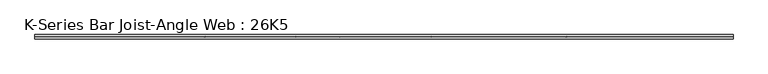
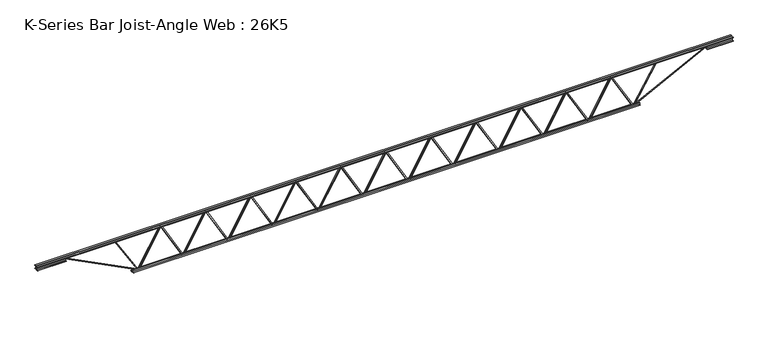
"""IFC4 building model written with IfcOpenShell, lengths in millimetres: beam geometry, K-Series Bar Joist-Angle Web : 26K5."""

from ifc_helpers import new_model, si_unit, frame, origin, place, context, project, spatial, polyline, outline, extrude, faceted_brep, source, transform, mapped, element, save


def k_series_bar_joist_angle_web_26k5_6613eee9(model_context):
    return source(origin(), model_context, "Body", "SolidModel", [
        extrude(outline(polyline([(-4.7625, 4.7625), (-4.7625, 0.0), (-17.4625, 0.0), (-17.4625, 4.7625), (-4.7625, 4.7625)])), frame((3358.1465485, 0.0, -292.1), z_axis=(-0.4972851767959126, 0.0, 0.8675871442910262), x_axis=(0.0, -1.0, 0.0)), (0.0, 0.0, 1.0), 673.3617526),
        extrude(outline(polyline([(-327.025, 3390.0340909), (-307.975, 3390.0340909), (-307.975, 3389.2032583), (327.025, 3025.2328038), (327.025, 3007.0136364), (307.975, 3007.0136364), (307.975, 3014.194469), (-327.025, 3378.1649235), (-327.025, 3390.0340909)])), frame((0.0, 0.0, 0.0), z_axis=(0.0, 1.0, 0.0), x_axis=(0.0, 0.0, 1.0)), (0.0, 0.0, 1.0), 4.7625),
        faceted_brep([(2636.6931818, 0.0, -307.975), (2636.6931818, 0.0, -327.025), (2636.6931818, -4.7625, -327.025), (2636.6931818, -4.7625, -307.975), (2637.5240144, 0.0, -307.975), (3001.494469, 0.0, 327.025), (3019.7136364, 0.0, 327.025), (3019.7136364, 0.0, 307.975), (3012.5328038, 0.0, 307.975), (2648.5623492, 0.0, -327.025), (2648.5623492, -4.7625, -327.025), (2668.5807242, -4.7625, -292.1), (2664.4488405, -4.7625, -289.7316793), (2999.3016586, -4.7625, 294.4683207), (3003.4335424, -4.7625, 292.1), (3012.5328038, -4.7625, 307.975), (3019.7136364, -4.7625, 307.975), (3019.7136364, -4.7625, 327.025), (3001.494469, -4.7625, 327.025), (2637.5240144, -4.7625, -307.975), (3003.4335424, -17.4625, 292.1), (2668.5807242, -17.4625, -292.1), (2664.4488405, -17.4625, -289.7316793), (2999.3016586, -17.4625, 294.4683207)], [[[0, 1, 2, 3]], [[1, 0, 4, 5, 6, 7, 8, 9]], [[2, 1, 9, 10]], [[3, 2, 10, 11, 12, 13, 14, 15, 16, 17, 18, 19]], [[0, 3, 19, 4]], [[9, 8, 15, 14, 20, 21, 11, 10]], [[5, 4, 19, 18]], [[7, 6, 17, 16]], [[8, 7, 16, 15]], [[6, 5, 18, 17]], [[21, 22, 12, 11]], [[20, 14, 13, 23]], [[22, 21, 20, 23]], [[12, 22, 23, 13]]]),
        extrude(outline(polyline([(-4.7625, 4.7625), (-4.7625, 0.0), (-17.4625, 0.0), (-17.4625, 4.7625), (-4.7625, 4.7625)])), frame((2604.8056394, 0.0, -292.1), z_axis=(-0.4972851767959126, 0.0, 0.8675871442910262), x_axis=(0.0, -1.0, 0.0)), (0.0, 0.0, 1.0), 673.3617526),
        extrude(outline(polyline([(-327.025, 2636.6931818), (-307.975, 2636.6931818), (-307.975, 2635.8623492), (327.025, 2271.8918947), (327.025, 2253.6727273), (307.975, 2253.6727273), (307.975, 2260.8535599), (-327.025, 2624.8240144), (-327.025, 2636.6931818)])), frame((0.0, 0.0, 0.0), z_axis=(0.0, 1.0, 0.0), x_axis=(0.0, 0.0, 1.0)), (0.0, 0.0, 1.0), 4.7625),
        faceted_brep([(1883.3522727, 0.0, -307.975), (1883.3522727, 0.0, -327.025), (1883.3522727, -4.7625, -327.025), (1883.3522727, -4.7625, -307.975), (1884.1831053, 0.0, -307.975), (2248.1535599, 0.0, 327.025), (2266.3727273, 0.0, 327.025), (2266.3727273, 0.0, 307.975), (2259.1918947, 0.0, 307.975), (1895.2214401, 0.0, -327.025), (1895.2214401, -4.7625, -327.025), (1915.2398151, -4.7625, -292.1), (1911.1079314, -4.7625, -289.7316793), (2245.9607495, -4.7625, 294.4683207), (2250.0926333, -4.7625, 292.1), (2259.1918947, -4.7625, 307.975), (2266.3727273, -4.7625, 307.975), (2266.3727273, -4.7625, 327.025), (2248.1535599, -4.7625, 327.025), (1884.1831053, -4.7625, -307.975), (2250.0926333, -17.4625, 292.1), (1915.2398151, -17.4625, -292.1), (1911.1079314, -17.4625, -289.7316793), (2245.9607495, -17.4625, 294.4683207)], [[[0, 1, 2, 3]], [[1, 0, 4, 5, 6, 7, 8, 9]], [[2, 1, 9, 10]], [[3, 2, 10, 11, 12, 13, 14, 15, 16, 17, 18, 19]], [[0, 3, 19, 4]], [[9, 8, 15, 14, 20, 21, 11, 10]], [[5, 4, 19, 18]], [[7, 6, 17, 16]], [[8, 7, 16, 15]], [[6, 5, 18, 17]], [[21, 22, 12, 11]], [[20, 14, 13, 23]], [[22, 21, 20, 23]], [[12, 22, 23, 13]]]),
        extrude(outline(polyline([(-4.7625, 4.7625), (-4.7625, 0.0), (-17.4625, 0.0), (-17.4625, 4.7625), (-4.7625, 4.7625)])), frame((1851.4647303, 0.0, -292.1), z_axis=(-0.4972851767959126, 0.0, 0.8675871442910262), x_axis=(0.0, -1.0, 0.0)), (0.0, 0.0, 1.0), 673.3617526),
        extrude(outline(polyline([(-327.025, 1883.3522727), (-307.975, 1883.3522727), (-307.975, 1882.5214401), (327.025, 1518.5509856), (327.025, 1500.3318182), (307.975, 1500.3318182), (307.975, 1507.5126508), (-327.025, 1871.4831053), (-327.025, 1883.3522727)])), frame((0.0, 0.0, 0.0), z_axis=(0.0, 1.0, 0.0), x_axis=(0.0, 0.0, 1.0)), (0.0, 0.0, 1.0), 4.7625),
        faceted_brep([(1130.0113636, 0.0, -307.975), (1130.0113636, 0.0, -327.025), (1130.0113636, -4.7625, -327.025), (1130.0113636, -4.7625, -307.975), (1130.8421962, 0.0, -307.975), (1494.8126508, 0.0, 327.025), (1513.0318182, 0.0, 327.025), (1513.0318182, 0.0, 307.975), (1505.8509856, 0.0, 307.975), (1141.880531, 0.0, -327.025), (1141.880531, -4.7625, -327.025), (1161.898906, -4.7625, -292.1), (1157.7670223, -4.7625, -289.7316793), (1492.6198405, -4.7625, 294.4683207), (1496.7517242, -4.7625, 292.1), (1505.8509856, -4.7625, 307.975), (1513.0318182, -4.7625, 307.975), (1513.0318182, -4.7625, 327.025), (1494.8126508, -4.7625, 327.025), (1130.8421962, -4.7625, -307.975), (1496.7517242, -17.4625, 292.1), (1161.898906, -17.4625, -292.1), (1157.7670223, -17.4625, -289.7316793), (1492.6198405, -17.4625, 294.4683207)], [[[0, 1, 2, 3]], [[1, 0, 4, 5, 6, 7, 8, 9]], [[2, 1, 9, 10]], [[3, 2, 10, 11, 12, 13, 14, 15, 16, 17, 18, 19]], [[0, 3, 19, 4]], [[9, 8, 15, 14, 20, 21, 11, 10]], [[5, 4, 19, 18]], [[7, 6, 17, 16]], [[8, 7, 16, 15]], [[6, 5, 18, 17]], [[21, 22, 12, 11]], [[20, 14, 13, 23]], [[22, 21, 20, 23]], [[12, 22, 23, 13]]]),
        extrude(outline(polyline([(-4.7625, 4.7625), (-4.7625, 0.0), (-17.4625, 0.0), (-17.4625, 4.7625), (-4.7625, 4.7625)])), frame((1098.1238212, 0.0, -292.1), z_axis=(-0.4972851767959126, 0.0, 0.8675871442910262), x_axis=(0.0, -1.0, 0.0)), (0.0, 0.0, 1.0), 673.3617526),
        extrude(outline(polyline([(-327.025, 1130.0113636), (-307.975, 1130.0113636), (-307.975, 1129.180531), (327.025, 765.2100765), (327.025, 746.9909091), (307.975, 746.9909091), (307.975, 754.1717417), (-327.025, 1118.1421962), (-327.025, 1130.0113636)])), frame((0.0, 0.0, 0.0), z_axis=(0.0, 1.0, 0.0), x_axis=(0.0, 0.0, 1.0)), (0.0, 0.0, 1.0), 4.7625),
        faceted_brep([(376.6704545, 0.0, -307.975), (376.6704545, 0.0, -327.025), (376.6704545, -4.7625, -327.025), (376.6704545, -4.7625, -307.975), (377.5012871, 0.0, -307.975), (741.4717417, 0.0, 327.025), (759.6909091, 0.0, 327.025), (759.6909091, 0.0, 307.975), (752.5100765, 0.0, 307.975), (388.539622, 0.0, -327.025), (388.539622, -4.7625, -327.025), (408.557997, -4.7625, -292.1), (404.4261132, -4.7625, -289.7316793), (739.2789314, -4.7625, 294.4683207), (743.4108151, -4.7625, 292.1), (752.5100765, -4.7625, 307.975), (759.6909091, -4.7625, 307.975), (759.6909091, -4.7625, 327.025), (741.4717417, -4.7625, 327.025), (377.5012871, -4.7625, -307.975), (743.4108151, -17.4625, 292.1), (408.557997, -17.4625, -292.1), (404.4261132, -17.4625, -289.7316793), (739.2789314, -17.4625, 294.4683207)], [[[0, 1, 2, 3]], [[1, 0, 4, 5, 6, 7, 8, 9]], [[2, 1, 9, 10]], [[3, 2, 10, 11, 12, 13, 14, 15, 16, 17, 18, 19]], [[0, 3, 19, 4]], [[9, 8, 15, 14, 20, 21, 11, 10]], [[5, 4, 19, 18]], [[7, 6, 17, 16]], [[8, 7, 16, 15]], [[6, 5, 18, 17]], [[21, 22, 12, 11]], [[20, 14, 13, 23]], [[22, 21, 20, 23]], [[12, 22, 23, 13]]]),
        extrude(outline(polyline([(-4.7625, 4.7625), (-4.7625, 0.0), (-17.4625, 0.0), (-17.4625, 4.7625), (-4.7625, 4.7625)])), frame((344.7829121, 0.0, -292.1), z_axis=(-0.4972851767959126, 0.0, 0.8675871442910262), x_axis=(0.0, -1.0, 0.0)), (0.0, 0.0, 1.0), 673.3617526),
        extrude(outline(polyline([(-327.025, 376.6704545), (-307.975, 376.6704545), (-307.975, 375.839622), (327.025, 11.8691674), (327.025, -6.35), (307.975, -6.35), (307.975, 0.8308326), (-327.025, 364.8012871), (-327.025, 376.6704545)])), frame((0.0, 0.0, 0.0), z_axis=(0.0, 1.0, 0.0), x_axis=(0.0, 0.0, 1.0)), (0.0, 0.0, 1.0), 4.7625),
        faceted_brep([(-376.6704545, 0.0, -307.975), (-376.6704545, 0.0, -327.025), (-376.6704545, -4.7625, -327.025), (-376.6704545, -4.7625, -307.975), (-375.839622, 0.0, -307.975), (-11.8691674, 0.0, 327.025), (6.35, 0.0, 327.025), (6.35, 0.0, 307.975), (-0.8308326, 0.0, 307.975), (-364.8012871, 0.0, -327.025), (-364.8012871, -4.7625, -327.025), (-344.7829121, -4.7625, -292.1), (-348.9147959, -4.7625, -289.7316793), (-14.0619777, -4.7625, 294.4683207), (-9.930094, -4.7625, 292.1), (-0.8308326, -4.7625, 307.975), (6.35, -4.7625, 307.975), (6.35, -4.7625, 327.025), (-11.8691674, -4.7625, 327.025), (-375.839622, -4.7625, -307.975), (-9.930094, -17.4625, 292.1), (-344.7829121, -17.4625, -292.1), (-348.9147959, -17.4625, -289.7316793), (-14.0619777, -17.4625, 294.4683207)], [[[0, 1, 2, 3]], [[1, 0, 4, 5, 6, 7, 8, 9]], [[2, 1, 9, 10]], [[3, 2, 10, 11, 12, 13, 14, 15, 16, 17, 18, 19]], [[0, 3, 19, 4]], [[9, 8, 15, 14, 20, 21, 11, 10]], [[5, 4, 19, 18]], [[7, 6, 17, 16]], [[8, 7, 16, 15]], [[6, 5, 18, 17]], [[21, 22, 12, 11]], [[20, 14, 13, 23]], [[22, 21, 20, 23]], [[12, 22, 23, 13]]]),
        extrude(outline(polyline([(-4.7625, 4.7625), (-4.7625, 0.0), (-17.4625, 0.0), (-17.4625, 4.7625), (-4.7625, 4.7625)])), frame((-408.557997, 0.0, -292.1), z_axis=(-0.4972851767959126, 0.0, 0.8675871442910262), x_axis=(0.0, -1.0, 0.0)), (0.0, 0.0, 1.0), 673.3617526),
        extrude(outline(polyline([(-327.025, -376.6704545), (-307.975, -376.6704545), (-307.975, -377.5012871), (327.025, -741.4717417), (327.025, -759.6909091), (307.975, -759.6909091), (307.975, -752.5100765), (-327.025, -388.539622), (-327.025, -376.6704545)])), frame((0.0, 0.0, 0.0), z_axis=(0.0, 1.0, 0.0), x_axis=(0.0, 0.0, 1.0)), (0.0, 0.0, 1.0), 4.7625),
        faceted_brep([(-1130.0113636, 0.0, -307.975), (-1130.0113636, 0.0, -327.025), (-1130.0113636, -4.7625, -327.025), (-1130.0113636, -4.7625, -307.975), (-1129.180531, 0.0, -307.975), (-765.2100765, 0.0, 327.025), (-746.9909091, 0.0, 327.025), (-746.9909091, 0.0, 307.975), (-754.1717417, 0.0, 307.975), (-1118.1421962, 0.0, -327.025), (-1118.1421962, -4.7625, -327.025), (-1098.1238212, -4.7625, -292.1), (-1102.255705, -4.7625, -289.7316793), (-767.4028868, -4.7625, 294.4683207), (-763.271003, -4.7625, 292.1), (-754.1717417, -4.7625, 307.975), (-746.9909091, -4.7625, 307.975), (-746.9909091, -4.7625, 327.025), (-765.2100765, -4.7625, 327.025), (-1129.180531, -4.7625, -307.975), (-763.271003, -17.4625, 292.1), (-1098.1238212, -17.4625, -292.1), (-1102.255705, -17.4625, -289.7316793), (-767.4028868, -17.4625, 294.4683207)], [[[0, 1, 2, 3]], [[1, 0, 4, 5, 6, 7, 8, 9]], [[2, 1, 9, 10]], [[3, 2, 10, 11, 12, 13, 14, 15, 16, 17, 18, 19]], [[0, 3, 19, 4]], [[9, 8, 15, 14, 20, 21, 11, 10]], [[5, 4, 19, 18]], [[7, 6, 17, 16]], [[8, 7, 16, 15]], [[6, 5, 18, 17]], [[21, 22, 12, 11]], [[20, 14, 13, 23]], [[22, 21, 20, 23]], [[12, 22, 23, 13]]]),
        extrude(outline(polyline([(-4.7625, 4.7625), (-4.7625, 0.0), (-17.4625, 0.0), (-17.4625, 4.7625), (-4.7625, 4.7625)])), frame((-1161.898906, 0.0, -292.1), z_axis=(-0.4972851767959126, 0.0, 0.8675871442910262), x_axis=(0.0, -1.0, 0.0)), (0.0, 0.0, 1.0), 673.3617526),
        extrude(outline(polyline([(-327.025, -1130.0113636), (-307.975, -1130.0113636), (-307.975, -1130.8421962), (327.025, -1494.8126508), (327.025, -1513.0318182), (307.975, -1513.0318182), (307.975, -1505.8509856), (-327.025, -1141.880531), (-327.025, -1130.0113636)])), frame((0.0, 0.0, 0.0), z_axis=(0.0, 1.0, 0.0), x_axis=(0.0, 0.0, 1.0)), (0.0, 0.0, 1.0), 4.7625),
        faceted_brep([(-1883.3522727, 0.0, -307.975), (-1883.3522727, 0.0, -327.025), (-1883.3522727, -4.7625, -327.025), (-1883.3522727, -4.7625, -307.975), (-1882.5214401, 0.0, -307.975), (-1518.5509856, 0.0, 327.025), (-1500.3318182, 0.0, 327.025), (-1500.3318182, 0.0, 307.975), (-1507.5126508, 0.0, 307.975), (-1871.4831053, 0.0, -327.025), (-1871.4831053, -4.7625, -327.025), (-1851.4647303, -4.7625, -292.1), (-1855.5966141, -4.7625, -289.7316793), (-1520.7437959, -4.7625, 294.4683207), (-1516.6119121, -4.7625, 292.1), (-1507.5126508, -4.7625, 307.975), (-1500.3318182, -4.7625, 307.975), (-1500.3318182, -4.7625, 327.025), (-1518.5509856, -4.7625, 327.025), (-1882.5214401, -4.7625, -307.975), (-1516.6119121, -17.4625, 292.1), (-1851.4647303, -17.4625, -292.1), (-1855.5966141, -17.4625, -289.7316793), (-1520.7437959, -17.4625, 294.4683207)], [[[0, 1, 2, 3]], [[1, 0, 4, 5, 6, 7, 8, 9]], [[2, 1, 9, 10]], [[3, 2, 10, 11, 12, 13, 14, 15, 16, 17, 18, 19]], [[0, 3, 19, 4]], [[9, 8, 15, 14, 20, 21, 11, 10]], [[5, 4, 19, 18]], [[7, 6, 17, 16]], [[8, 7, 16, 15]], [[6, 5, 18, 17]], [[21, 22, 12, 11]], [[20, 14, 13, 23]], [[22, 21, 20, 23]], [[12, 22, 23, 13]]]),
        extrude(outline(polyline([(-4.7625, 4.7625), (-4.7625, 0.0), (-17.4625, 0.0), (-17.4625, 4.7625), (-4.7625, 4.7625)])), frame((-1915.2398151, 0.0, -292.1), z_axis=(-0.4972851767959126, 0.0, 0.8675871442910262), x_axis=(0.0, -1.0, 0.0)), (0.0, 0.0, 1.0), 673.3617526),
        extrude(outline(polyline([(-327.025, -1883.3522727), (-307.975, -1883.3522727), (-307.975, -1884.1831053), (327.025, -2248.1535599), (327.025, -2266.3727273), (307.975, -2266.3727273), (307.975, -2259.1918947), (-327.025, -1895.2214401), (-327.025, -1883.3522727)])), frame((0.0, 0.0, 0.0), z_axis=(0.0, 1.0, 0.0), x_axis=(0.0, 0.0, 1.0)), (0.0, 0.0, 1.0), 4.7625),
        faceted_brep([(-2636.6931818, 0.0, -307.975), (-2636.6931818, 0.0, -327.025), (-2636.6931818, -4.7625, -327.025), (-2636.6931818, -4.7625, -307.975), (-2635.8623492, 0.0, -307.975), (-2271.8918947, 0.0, 327.025), (-2253.6727273, 0.0, 327.025), (-2253.6727273, 0.0, 307.975), (-2260.8535599, 0.0, 307.975), (-2624.8240144, 0.0, -327.025), (-2624.8240144, -4.7625, -327.025), (-2604.8056394, -4.7625, -292.1), (-2608.9375232, -4.7625, -289.7316793), (-2274.084705, -4.7625, 294.4683207), (-2269.9528212, -4.7625, 292.1), (-2260.8535599, -4.7625, 307.975), (-2253.6727273, -4.7625, 307.975), (-2253.6727273, -4.7625, 327.025), (-2271.8918947, -4.7625, 327.025), (-2635.8623492, -4.7625, -307.975), (-2269.9528212, -17.4625, 292.1), (-2604.8056394, -17.4625, -292.1), (-2608.9375232, -17.4625, -289.7316793), (-2274.084705, -17.4625, 294.4683207)], [[[0, 1, 2, 3]], [[1, 0, 4, 5, 6, 7, 8, 9]], [[2, 1, 9, 10]], [[3, 2, 10, 11, 12, 13, 14, 15, 16, 17, 18, 19]], [[0, 3, 19, 4]], [[9, 8, 15, 14, 20, 21, 11, 10]], [[5, 4, 19, 18]], [[7, 6, 17, 16]], [[8, 7, 16, 15]], [[6, 5, 18, 17]], [[21, 22, 12, 11]], [[20, 14, 13, 23]], [[22, 21, 20, 23]], [[12, 22, 23, 13]]]),
        extrude(outline(polyline([(-4.7625, 4.7625), (-4.7625, 0.0), (-17.4625, 0.0), (-17.4625, 4.7625), (-4.7625, 4.7625)])), frame((-2668.5807242, 0.0, -292.1), z_axis=(-0.4972851767959126, 0.0, 0.8675871442910262), x_axis=(0.0, -1.0, 0.0)), (0.0, 0.0, 1.0), 673.3617526),
        extrude(outline(polyline([(-327.025, -2636.6931818), (-307.975, -2636.6931818), (-307.975, -2637.5240144), (327.025, -3001.494469), (327.025, -3019.7136364), (307.975, -3019.7136364), (307.975, -3012.5328038), (-327.025, -2648.5623492), (-327.025, -2636.6931818)])), frame((0.0, 0.0, 0.0), z_axis=(0.0, 1.0, 0.0), x_axis=(0.0, 0.0, 1.0)), (0.0, 0.0, 1.0), 4.7625),
        faceted_brep([(-3390.0340909, 0.0, -307.975), (-3390.0340909, 0.0, -327.025), (-3390.0340909, -4.7625, -327.025), (-3390.0340909, -4.7625, -307.975), (-3389.2032583, 0.0, -307.975), (-3025.2328038, 0.0, 327.025), (-3007.0136364, 0.0, 327.025), (-3007.0136364, 0.0, 307.975), (-3014.194469, 0.0, 307.975), (-3378.1649235, 0.0, -327.025), (-3378.1649235, -4.7625, -327.025), (-3358.1465485, -4.7625, -292.1), (-3362.2784323, -4.7625, -289.7316793), (-3027.4256141, -4.7625, 294.4683207), (-3023.2937303, -4.7625, 292.1), (-3014.194469, -4.7625, 307.975), (-3007.0136364, -4.7625, 307.975), (-3007.0136364, -4.7625, 327.025), (-3025.2328038, -4.7625, 327.025), (-3389.2032583, -4.7625, -307.975), (-3023.2937303, -17.4625, 292.1), (-3358.1465485, -17.4625, -292.1), (-3362.2784323, -17.4625, -289.7316793), (-3027.4256141, -17.4625, 294.4683207)], [[[0, 1, 2, 3]], [[1, 0, 4, 5, 6, 7, 8, 9]], [[2, 1, 9, 10]], [[3, 2, 10, 11, 12, 13, 14, 15, 16, 17, 18, 19]], [[0, 3, 19, 4]], [[9, 8, 15, 14, 20, 21, 11, 10]], [[5, 4, 19, 18]], [[7, 6, 17, 16]], [[8, 7, 16, 15]], [[6, 5, 18, 17]], [[21, 22, 12, 11]], [[20, 14, 13, 23]], [[22, 21, 20, 23]], [[12, 22, 23, 13]]]),
        extrude(outline(polyline([(-4.7625, 4.7625), (-4.7625, 0.0), (-17.4625, 0.0), (-17.4625, 4.7625), (-4.7625, 4.7625)])), frame((4111.4874576, 0.0, -292.1), z_axis=(-0.4972851767959126, 0.0, 0.8675871442910262), x_axis=(0.0, -1.0, 0.0)), (0.0, 0.0, 1.0), 673.3617526),
        extrude(outline(polyline([(-327.025, 4143.375), (-307.975, 4143.375), (-307.975, 4142.5441674), (327.025, 3778.5737129), (327.025, 3760.3545455), (307.975, 3760.3545455), (307.975, 3767.535378), (-327.025, 4131.5058326), (-327.025, 4143.375)])), frame((0.0, 0.0, 0.0), z_axis=(0.0, 1.0, 0.0), x_axis=(0.0, 0.0, 1.0)), (0.0, 0.0, 1.0), 4.7625),
        faceted_brep([(3390.0340909, 0.0, -307.975), (3390.0340909, 0.0, -327.025), (3390.0340909, -4.7625, -327.025), (3390.0340909, -4.7625, -307.975), (3390.8649235, 0.0, -307.975), (3754.835378, 0.0, 327.025), (3773.0545455, 0.0, 327.025), (3773.0545455, 0.0, 307.975), (3765.8737129, 0.0, 307.975), (3401.9032583, 0.0, -327.025), (3401.9032583, -4.7625, -327.025), (3421.9216333, -4.7625, -292.1), (3417.7897495, -4.7625, -289.7316793), (3752.6425677, -4.7625, 294.4683207), (3756.7744515, -4.7625, 292.1), (3765.8737129, -4.7625, 307.975), (3773.0545455, -4.7625, 307.975), (3773.0545455, -4.7625, 327.025), (3754.835378, -4.7625, 327.025), (3390.8649235, -4.7625, -307.975), (3756.7744515, -17.4625, 292.1), (3421.9216333, -17.4625, -292.1), (3417.7897495, -17.4625, -289.7316793), (3752.6425677, -17.4625, 294.4683207)], [[[0, 1, 2, 3]], [[1, 0, 4, 5, 6, 7, 8, 9]], [[2, 1, 9, 10]], [[3, 2, 10, 11, 12, 13, 14, 15, 16, 17, 18, 19]], [[0, 3, 19, 4]], [[9, 8, 15, 14, 20, 21, 11, 10]], [[5, 4, 19, 18]], [[7, 6, 17, 16]], [[8, 7, 16, 15]], [[6, 5, 18, 17]], [[21, 22, 12, 11]], [[20, 14, 13, 23]], [[22, 21, 20, 23]], [[12, 22, 23, 13]]]),
        extrude(outline(polyline([(-4.7625, 4.7625), (-4.7625, 0.0), (-17.4625, 0.0), (-17.4625, 4.7625), (-4.7625, 4.7625)])), frame((-3421.9216333, 0.0, -292.1), z_axis=(-0.4972851767959126, 0.0, 0.8675871442910262), x_axis=(0.0, -1.0, 0.0)), (0.0, 0.0, 1.0), 673.3617526),
        extrude(outline(polyline([(-327.025, -3390.0340909), (-307.975, -3390.0340909), (-307.975, -3390.8649235), (327.025, -3754.835378), (327.025, -3773.0545455), (307.975, -3773.0545455), (307.975, -3765.8737129), (-327.025, -3401.9032583), (-327.025, -3390.0340909)])), frame((0.0, 0.0, 0.0), z_axis=(0.0, 1.0, 0.0), x_axis=(0.0, 0.0, 1.0)), (0.0, 0.0, 1.0), 4.7625),
        faceted_brep([(-4143.375, 0.0, -307.975), (-4143.375, 0.0, -327.025), (-4143.375, -4.7625, -327.025), (-4143.375, -4.7625, -307.975), (-4142.5441674, 0.0, -307.975), (-3778.5737129, 0.0, 327.025), (-3760.3545455, 0.0, 327.025), (-3760.3545455, 0.0, 307.975), (-3767.535378, 0.0, 307.975), (-4131.5058326, 0.0, -327.025), (-4131.5058326, -4.7625, -327.025), (-4111.4874576, -4.7625, -292.1), (-4115.6193414, -4.7625, -289.7316793), (-3780.7665232, -4.7625, 294.4683207), (-3776.6346394, -4.7625, 292.1), (-3767.535378, -4.7625, 307.975), (-3760.3545455, -4.7625, 307.975), (-3760.3545455, -4.7625, 327.025), (-3778.5737129, -4.7625, 327.025), (-4142.5441674, -4.7625, -307.975), (-3776.6346394, -17.4625, 292.1), (-4111.4874576, -17.4625, -292.1), (-4115.6193414, -17.4625, -289.7316793), (-3780.7665232, -17.4625, 294.4683207)], [[[0, 1, 2, 3]], [[1, 0, 4, 5, 6, 7, 8, 9]], [[2, 1, 9, 10]], [[3, 2, 10, 11, 12, 13, 14, 15, 16, 17, 18, 19]], [[0, 3, 19, 4]], [[9, 8, 15, 14, 20, 21, 11, 10]], [[5, 4, 19, 18]], [[7, 6, 17, 16]], [[8, 7, 16, 15]], [[6, 5, 18, 17]], [[21, 22, 12, 11]], [[20, 14, 13, 23]], [[22, 21, 20, 23]], [[12, 22, 23, 13]]]),
        extrude(outline(polyline([(4.7625, 330.2), (36.5125, 330.2), (36.5125, 323.85), (11.1125, 323.85), (11.1125, 298.45), (4.7625, 298.45), (4.7625, 330.2)])), frame((-5845.175, 0.0, 0.0), z_axis=(1.0, 0.0, 0.0), x_axis=(0.0, 1.0, 0.0)), (0.0, 0.0, 1.0), 11639.55),
        extrude(outline(polyline([(-4.7625, 330.2), (-4.7625, 298.45), (-11.1125, 298.45), (-11.1125, 323.85), (-36.5125, 323.85), (-36.5125, 330.2), (-4.7625, 330.2)])), frame((-5845.175, 0.0, 0.0), z_axis=(1.0, 0.0, 0.0), x_axis=(0.0, 1.0, 0.0)), (0.0, 0.0, 1.0), 11639.55),
        extrude(outline(polyline([(-4.7625, 266.7), (-36.5125, 266.7), (-36.5125, 273.05), (-11.1125, 273.05), (-11.1125, 298.45), (-4.7625, 298.45), (-4.7625, 266.7)])), frame((-5845.175, 0.0, 0.0), z_axis=(1.0, 0.0, 0.0), x_axis=(0.0, 1.0, 0.0)), (0.0, 0.0, 1.0), 482.6),
        extrude(outline(polyline([(36.5125, 266.7), (4.7625, 266.7), (4.7625, 298.45), (11.1125, 298.45), (11.1125, 273.05), (36.5125, 273.05), (36.5125, 266.7)])), frame((-5845.175, 0.0, 0.0), z_axis=(1.0, 0.0, 0.0), x_axis=(0.0, 1.0, 0.0)), (0.0, 0.0, 1.0), 482.6),
        extrude(outline(polyline([(4.7625, 266.7), (4.7625, 298.45), (11.1125, 298.45), (11.1125, 273.05), (36.5125, 273.05), (36.5125, 266.7), (4.7625, 266.7)])), frame((5362.575, 0.0, 0.0), z_axis=(1.0, 0.0, 0.0), x_axis=(0.0, 1.0, 0.0)), (0.0, 0.0, 1.0), 431.8),
        extrude(outline(polyline([(-4.7625, 266.7), (-36.5125, 266.7), (-36.5125, 273.05), (-11.1125, 273.05), (-11.1125, 298.45), (-4.7625, 298.45), (-4.7625, 266.7)])), frame((5362.575, 0.0, 0.0), z_axis=(1.0, 0.0, 0.0), x_axis=(0.0, 1.0, 0.0)), (0.0, 0.0, 1.0), 431.8),
        extrude(outline(polyline([(4.7625, -330.2), (4.7625, -298.45), (11.1125, -298.45), (11.1125, -323.85), (36.5125, -323.85), (36.5125, -330.2), (4.7625, -330.2)])), frame((-4244.975, 0.0, 0.0), z_axis=(1.0, 0.0, 0.0), x_axis=(0.0, 1.0, 0.0)), (0.0, 0.0, 1.0), 8489.95),
        extrude(outline(polyline([(-4.7625, -330.2), (-36.5125, -330.2), (-36.5125, -323.85), (-11.1125, -323.85), (-11.1125, -298.45), (-4.7625, -298.45), (-4.7625, -330.2)])), frame((-4244.975, 0.0, 0.0), z_axis=(1.0, 0.0, 0.0), x_axis=(0.0, 1.0, 0.0)), (0.0, 0.0, 1.0), 8489.95),
        extrude(outline(polyline([(4.7625, 4.7625001), (4.7625, -4.7625001), (-4.7625, -4.7625001), (-4.7625, 4.7625001), (4.7625, 4.7625001)])), frame((4143.375, 0.0, -323.85), z_axis=(0.5178179638892854, 0.0, 0.8554908276969162), x_axis=(0.0, -1.0, 0.0)), (0.0, 0.0, 1.0), 727.4186699),
        extrude(outline(polyline([(4.7625, 4.7625001), (4.7625, -4.7625001), (-4.7625, -4.7625001), (-4.7625, 4.7625001), (4.7625, 4.7625001)])), frame((-4143.375, 0.0, -323.85), z_axis=(-0.5178179638892675, 0.0, 0.8554908276969271), x_axis=(0.0, -1.0, 0.0)), (0.0, 0.0, 1.0), 727.4186699),
        extrude(outline(polyline([(0.0, -9.525), (0.0, 0.0), (1368.8337847, 0.0), (1368.8337847, -9.525), (0.0, -9.525)])), frame((5364.7401305, -4.7625, 294.2081117), z_axis=(-0.45462057335079453, 0.0, 0.8906852049328062), x_axis=(-0.8906852049328062, 0.0, -0.45462057335079453)), (0.0, 0.0, 1.0), 9.525),
        extrude(outline(polyline([(0.0, -9.525), (0.0, 0.0), (1368.8337847, 0.0), (1368.8337847, -9.525), (0.0, -9.525)])), frame((-5364.7401305, 4.7625, 294.2081117), z_axis=(0.4546205733507945, 0.0, 0.8906852049328061), x_axis=(0.8906852049328061, 0.0, -0.4546205733507945)), (0.0, 0.0, 1.0), 9.525),
    ])


if __name__ == "__main__":
    model = new_model("IFC4")
    model_context = context("Model", 3, world=origin())
    ifc_project = project(units=[si_unit("LENGTHUNIT", "METRE", prefix="MILLI")], contexts=[model_context])
    site = spatial("IfcSite", under=ifc_project)
    building = spatial("IfcBuilding", under=site)
    placement = place(None, origin())
    k_series_bar_joist_angle_web_26k5_shape = k_series_bar_joist_angle_web_26k5_6613eee9(model_context)
    element("IfcBeam", 1, ObjectType="K-Series Bar Joist-Angle Web : 26K5", at=placement, inside=building, context=model_context, shape_type="MappedRepresentation", body=[
        mapped(k_series_bar_joist_angle_web_26k5_shape, transform((0.0, 0.0, 0.0), x_axis=(1.0, 0.0, 0.0), y_axis=(0.0, 1.0, 0.0), z_axis=(0.0, 0.0, 1.0))),
    ])
    save(model, "model.ifc")
